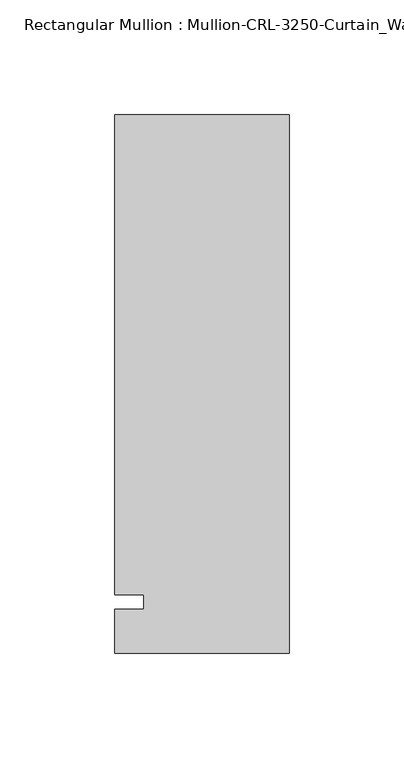
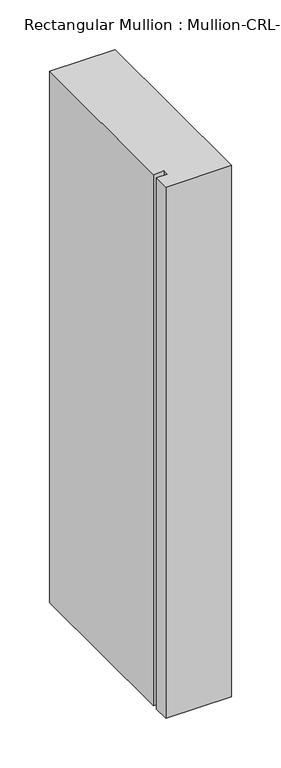
"""IFC4 building model written with IfcOpenShell, lengths in millimetres: member geometry."""

import ifcopenshell
import ifcopenshell.guid

model = None  # the IFC model being written
_history = None  # IfcOwnerHistory: only IFC2X3 demands one
_inside = {}  # id of a spatial element -> (the spatial element, [elements in it])
_under = {}  # id of a project, library or spatial element -> (it, [spatial elements below it])
_declared = {}  # id of a project -> (the project, [libraries it declares])
_typed = {}  # id of a type object -> (the type object, [elements of that type])
_made_of = {}  # id of a material, layer set ... -> (it, [elements and type objects made of it])


def new_model(schema):
    """Start an empty IFC model of exactly this schema.

    Asked for "IFC4X3", IfcOpenShell would pick the latest addendum, in which some entities
    have other attributes; the version numbers below select the first issue.
    IFC2X3 requires an IfcOwnerHistory on every rooted entity: one is made here for all.
    """
    global model, _history
    if schema == "IFC4X3":
        model = ifcopenshell.file(schema_version=(4, 3, 0, 0))
    else:
        model = ifcopenshell.file(schema=schema)
    _inside.clear()
    _under.clear()
    _declared.clear()
    _typed.clear()
    _made_of.clear()
    _history = None
    if model.schema == "IFC2X3":
        org = make("IfcOrganization", Name="unknown")
        user = make(
            "IfcPersonAndOrganization",
            ThePerson=make("IfcPerson", FamilyName="unknown"),
            TheOrganization=org,
        )
        app = make(
            "IfcApplication",
            ApplicationDeveloper=org,
            Version="unknown",
            ApplicationFullName="unknown",
            ApplicationIdentifier="unknown",
        )
        _history = make(
            "IfcOwnerHistory",
            OwningUser=user,
            OwningApplication=app,
            ChangeAction="ADDED",
            CreationDate=0,
        )
    return model


def make(cls, **values):
    """One entity of the class cls with the attributes given. An attribute that is None is left unset."""
    return model.create_entity(
        cls, **{name: value for name, value in values.items() if value is not None}
    )


def rooted(cls, **values):
    """An entity with a GlobalId (a new one), such as an element, a storey or a relation."""
    return make(cls, GlobalId=ifcopenshell.guid.new(), OwnerHistory=_history, **values)


def si_unit(unit_type, name, prefix=None):
    """IfcSIUnit, for example si_unit("LENGTHUNIT", "METRE", prefix="MILLI")."""
    return make("IfcSIUnit", UnitType=unit_type, Prefix=prefix, Name=name)


def assignment(units):
    """IfcUnitAssignment: the units of a project."""
    return None if units is None else make("IfcUnitAssignment", Units=units)


def point(xyz):
    """IfcCartesianPoint."""
    return None if xyz is None else make("IfcCartesianPoint", Coordinates=xyz)


def direction(xyz):
    """IfcDirection."""
    return None if xyz is None else make("IfcDirection", DirectionRatios=xyz)


def frame(location, z_axis=None, x_axis=None):
    """IfcAxis2Placement3D, a coordinate frame: its origin and axes. An axis left out is left unset."""
    return make(
        "IfcAxis2Placement3D",
        Location=point(location),
        Axis=direction(z_axis),
        RefDirection=direction(x_axis),
    )


def origin():
    """The frame at (0, 0, 0) with its axes left unset."""
    return frame((0.0, 0.0, 0.0))


def place(relative_to, where):
    """IfcLocalPlacement: puts the frame where relative to a parent placement (None: the world)."""
    return make(
        "IfcLocalPlacement", PlacementRelTo=relative_to, RelativePlacement=where
    )


def context(
    kind, dimensions, precision=None, world=None, true_north=None, identifier=None
):
    """IfcGeometricRepresentationContext, for example the 3D "Model" context."""
    return make(
        "IfcGeometricRepresentationContext",
        ContextIdentifier=identifier,
        ContextType=kind,
        CoordinateSpaceDimension=dimensions,
        Precision=precision,
        WorldCoordinateSystem=world,
        TrueNorth=true_north,
    )


def project(units=None, contexts=None):
    """IfcProject with its units and contexts."""
    return rooted(
        "IfcProject",
        Name="project",
        RepresentationContexts=contexts,
        UnitsInContext=assignment(units),
    )


def spatial(cls, under=None, at=None, **own):
    """A site, building, storey or space (cls), placed at a placement, below another one or the project."""
    s = rooted(cls, ObjectPlacement=at, **own)
    if under is not None:
        _under.setdefault(under.id(), (under, []))[1].append(s)
    return s


def polyline(points):
    """IfcPolyline through the points."""
    return make("IfcPolyline", Points=[point(p) for p in points])


def outline(outer, holes=None, kind="AREA"):
    """IfcArbitraryClosedProfileDef: a profile drawn as a closed curve; with holes, ...WithVoids."""
    if holes is None:
        return make("IfcArbitraryClosedProfileDef", ProfileType=kind, OuterCurve=outer)
    return make(
        "IfcArbitraryProfileDefWithVoids",
        ProfileType=kind,
        OuterCurve=outer,
        InnerCurves=holes,
    )


def extrude(swept, where, along, depth):
    """IfcExtrudedAreaSolid: the profile swept, set in the frame where, extruded along a direction by depth."""
    return make(
        "IfcExtrudedAreaSolid",
        SweptArea=swept,
        Position=where,
        ExtrudedDirection=direction(along),
        Depth=depth,
    )


def shape(context_of_items, identifier, shape_type, items):
    """IfcShapeRepresentation: the items that make up one representation, for example the "Body"."""
    return make(
        "IfcShapeRepresentation",
        ContextOfItems=context_of_items,
        RepresentationIdentifier=identifier,
        RepresentationType=shape_type,
        Items=items,
    )


def source(mapping_origin, context_of_items, identifier, shape_type, items):
    """IfcRepresentationMap: a shape defined once, which mapped items show again and again."""
    return make(
        "IfcRepresentationMap",
        MappingOrigin=mapping_origin,
        MappedRepresentation=shape(context_of_items, identifier, shape_type, items),
    )


def transform(
    local_origin,
    x_axis=None,
    y_axis=None,
    z_axis=None,
    scale=None,
    scale2=None,
    scale3=None,
    uniform=True,
):
    """IfcCartesianTransformationOperator3D, or its non-uniform kind. x_axis, y_axis, z_axis: its Axis1, 2, 3."""
    if uniform:
        return make(
            "IfcCartesianTransformationOperator3D",
            Axis1=direction(x_axis),
            Axis2=direction(y_axis),
            LocalOrigin=point(local_origin),
            Scale=scale,
            Axis3=direction(z_axis),
        )
    return make(
        "IfcCartesianTransformationOperator3DnonUniform",
        Axis1=direction(x_axis),
        Axis2=direction(y_axis),
        LocalOrigin=point(local_origin),
        Scale=scale,
        Axis3=direction(z_axis),
        Scale2=scale2,
        Scale3=scale3,
    )


def mapped(mapping_source, mapping_target):
    """IfcMappedItem: shows the shape of a source again, moved by a transform."""
    return make(
        "IfcMappedItem", MappingSource=mapping_source, MappingTarget=mapping_target
    )


def made_of(thing, what):
    """Note that an element or type object is made of a material, layer set ...; save() writes the relation."""
    if what is not None:
        _made_of.setdefault(what.id(), (what, []))[1].append(thing)
    return thing


def element(
    cls,
    number,
    at=None,
    inside=None,
    cuts=None,
    type_object=None,
    material=None,
    context=None,
    identifier="Body",
    shape_type=None,
    held_by="IfcProductDefinitionShape",
    body=None,
    shapes=None,
    **own,
):
    """One element of the class cls, such as IfcWall. Its Tag is "e" and its number.

    at: its placement. inside: the storey or other place that contains it. cuts: it is an
    opening in that element (IfcRelVoidsElement). A single representation is given by context,
    identifier, shape_type and body (its items); several are given by shapes. held_by: the class
    of the entity that holds the representations. save() writes the other relations.
    """
    e = rooted(cls, Tag="e%d" % number, ObjectPlacement=at, **own)
    if body is not None:
        shapes = [shape(context, identifier, shape_type, body)]
    if shapes is not None:
        e.Representation = make(held_by, Representations=shapes)
    if inside is not None:
        _inside.setdefault(inside.id(), (inside, []))[1].append(e)
    if cuts is not None:
        rooted(
            "IfcRelVoidsElement", RelatingBuildingElement=cuts, RelatedOpeningElement=e
        )
    if type_object is not None:
        _typed.setdefault(type_object.id(), (type_object, []))[1].append(e)
    return made_of(e, material)


def aggregate(whole, parts):
    """IfcRelAggregates: a whole, such as a stair, and the parts it consists of."""
    return rooted("IfcRelAggregates", RelatingObject=whole, RelatedObjects=parts)


def save(model, path):
    """Write the relations noted so far, then the file.

    IfcRelAggregates (storeys below a building ...), IfcRelContainedInSpatialStructure (elements
    in a storey), IfcRelDefinesByType, IfcRelAssociatesMaterial and IfcRelDeclares: one each for
    every whole, place, type object, material and project.
    """
    for whole, parts in _under.values():
        aggregate(whole, parts)
    for where, things in _inside.values():
        rooted(
            "IfcRelContainedInSpatialStructure",
            RelatedElements=things,
            RelatingStructure=where,
        )
    for kind, things in _typed.values():
        rooted("IfcRelDefinesByType", RelatedObjects=things, RelatingType=kind)
    for what, things in _made_of.values():
        rooted("IfcRelAssociatesMaterial", RelatedObjects=things, RelatingMaterial=what)
    for by, libraries in _declared.values():
        rooted("IfcRelDeclares", RelatingContext=by, RelatedDefinitions=libraries)
    model.write(path)


def member_1b8bc018(model_context):
    return source(origin(), model_context, "Body", "SweptSolid", [
        extrude(outline(polyline([(-76.199997, -3.175), (-63.499997, -3.175), (-63.499997, 3.175), (-76.199997, 3.175), (-76.199997, 212.725), (0.0, 212.725), (0.0, -22.2254168), (-76.199997, -22.2254168), (-76.199997, -3.175)])), frame((0.0, 0.0, -653.8666746), z_axis=(0.0, 0.0, 1.0), x_axis=(1.0, 0.0, 0.0)), (0.0, 0.0, 1.0), 653.8666746),
    ])


if __name__ == "__main__":
    model = new_model("IFC4")
    model_context = context("Model", 3, world=origin())
    ifc_project = project(units=[si_unit("LENGTHUNIT", "METRE", prefix="MILLI")], contexts=[model_context])
    site = spatial("IfcSite", under=ifc_project)
    building = spatial("IfcBuilding", under=site)
    placement = place(None, origin())
    member_shape = member_1b8bc018(model_context)
    element("IfcMember", 1, ObjectType="Rectangular Mullion : Mullion-CRL-3250-Curtain_Wall-Sill-8\"", at=placement, inside=building, context=model_context, shape_type="MappedRepresentation", body=[
        mapped(member_shape, transform((0.0, 0.0, 0.0), x_axis=(1.0, 0.0, 0.0), y_axis=(0.0, 1.0, 0.0), z_axis=(0.0, 0.0, 1.0))),
    ])
    save(model, "model.ifc")
